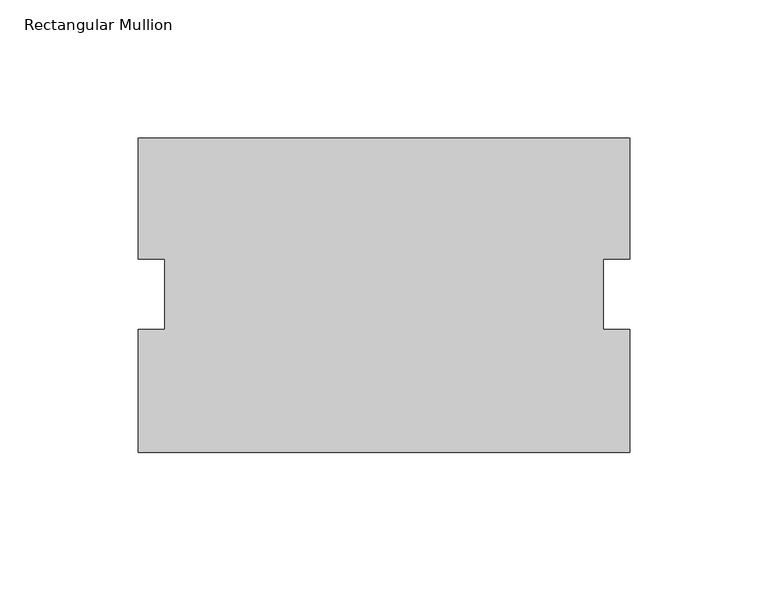
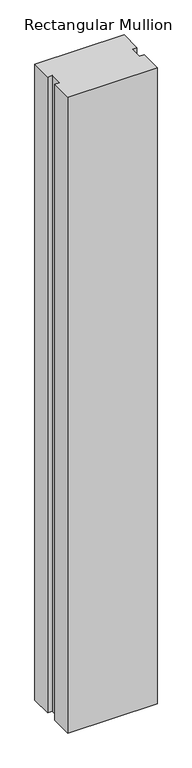
"""IFC4 building model written with IfcOpenShell, lengths in millimetres: member geometry, Rectangular Mullion."""

from ifc_helpers import new_model, si_unit, frame, origin, place, context, project, spatial, polyline, outline, extrude, source, transform, mapped, element, save


def rectangular_mullion_82053619(model_context):
    return source(origin(), model_context, "Body", "SweptSolid", [
        extrude(outline(polyline([(88.9297595, 12.747315), (79.4047595, 12.7481386), (79.4025556, -12.7395597), (88.9275556, -12.7403833), (88.9237149, -57.1578144), (-88.9080344, -57.1424375), (-88.9041957, -12.7474404), (-79.3601457, -12.7482656), (-79.3579418, 12.7394327), (-88.8829418, 12.7402563), (-88.8791519, 56.5703308), (88.9335475, 56.5549556), (88.9297595, 12.747315)])), frame((0.0, 0.0, -1339.85), z_axis=(0.0, 0.0, 1.0), x_axis=(1.0, 0.0, 0.0)), (0.0, 0.0, 1.0), 1339.85),
    ])


if __name__ == "__main__":
    model = new_model("IFC4")
    model_context = context("Model", 3, world=origin())
    ifc_project = project(units=[si_unit("LENGTHUNIT", "METRE", prefix="MILLI")], contexts=[model_context])
    site = spatial("IfcSite", under=ifc_project)
    building = spatial("IfcBuilding", under=site)
    placement = place(None, origin())
    rectangular_mullion_shape = rectangular_mullion_82053619(model_context)
    element("IfcMember", 1, ObjectType="Rectangular Mullion", at=placement, inside=building, context=model_context, shape_type="MappedRepresentation", body=[
        mapped(rectangular_mullion_shape, transform((0.0, 0.0, 0.0), x_axis=(1.0, 0.0, 0.0), y_axis=(0.0, 1.0, 0.0), z_axis=(0.0, 0.0, 1.0))),
    ])
    save(model, "model.ifc")
